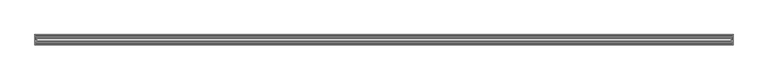
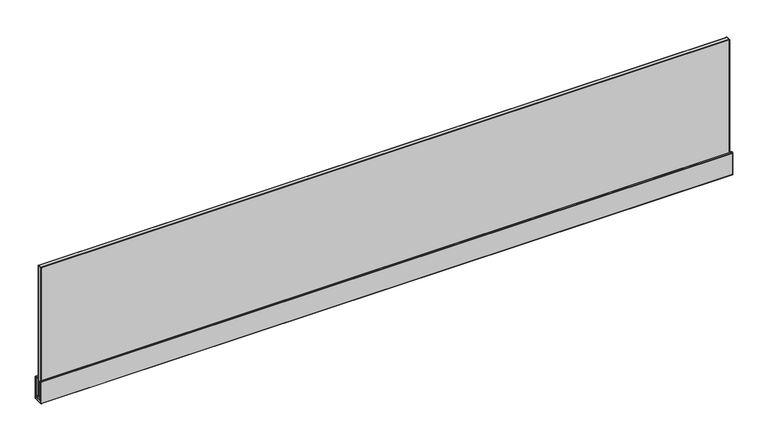
"""IFC4 building model written with IfcOpenShell, lengths in millimetres: furniture geometry."""

from ifc_helpers import new_model, si_unit, origin, place, context, project, spatial, triangles, source, transform, mapped, element, save


def furniture_a9697d2e(model_context):
    return source(origin(), model_context, "Body", "Tessellation", [
        triangles([(0.5079999, -14.9225017, 1119.1999992), (0.5079999, -14.4734886, 1119.0140368), (0.1487897, -14.5786988, 1118.9088106), (0.1487897, -14.9225017, 1119.0511711), (-1e-07, -14.8326986, 1118.654829), (0.1487897, -14.4362918, 1118.5650089), (0.5079999, -14.2875011, 1118.5650089), (1523.4920368, -14.2874932, 1118.5650089), (1523.4920368, -14.4734807, 1119.0140368), (1523.4920368, -14.9224926, 1119.1999992), (0.5079999, -18.097502, 1119.1999992), (0.5079999, -18.546514, 1119.0140368), (0.1487897, -18.4413037, 1118.9088106), (0.1487897, -18.097502, 1119.0511711), (-1e-07, -18.187304, 1118.654829), (0.5079999, -18.7325014, 1118.5650089), (0.1487897, -18.5837119, 1118.5650089), (-1e-07, -14.7955018, 1069.0349653), (0.1487897, -14.4362918, 1069.0349653), (0.5079999, -14.2875011, 1069.0349653), (0.1487897, -14.5786988, 1068.6911636), (0.5079999, -14.4734886, 1068.5860102), (-1e-07, -14.9225017, 1068.9080109), (0.1487897, -14.9225017, 1068.5488031), (0.5079999, -14.9225017, 1068.399975), (0.0, -25.4000008, 1068.9080109), (0.1487898, -25.4000008, 1068.5488031), (0.508, -25.4000008, 1068.399975), (0.5079999, -18.7325014, 1076.0200041), (0.5079999, -19.1044752, 1075.1219484), (0.1487897, -18.9992661, 1075.016795), (0.1487897, -18.5837119, 1076.0200041), (-1e-07, -18.7452652, 1074.7627407), (-1e-07, -18.2245019, 1076.0200041), (0.5079999, -20.0025014, 1074.7500235), (0.1487897, -20.0025014, 1074.6011953), (0.0, -20.0025014, 1074.2419876), (1523.4920368, -19.1044684, 1075.1219484), (1523.4920368, -20.0024923, 1074.7500235), (1523.8511719, -20.0024923, 1074.6011953), (1523.8511719, -18.999257, 1075.016795), (1524.0, -20.0024923, 1074.2419876), (1524.0, -18.7452573, 1074.7627407), (1523.4920368, -18.7324935, 1076.0200041), (1523.8511719, -18.5837028, 1076.0200041), (1524.0, -18.2244928, 1076.0200041), (1523.4920368, -25.4000008, 1074.7500235), (1523.8511719, -25.4000008, 1074.6011953), (1524.0, -25.4000008, 1074.2419876), (1523.4920368, -18.7324935, 1118.5650089), (1523.4920368, -18.546506, 1119.0140368), (1523.8511719, -18.4412958, 1118.9088106), (1523.8511719, -18.5837028, 1118.5650089), (1524.0, -18.187296, 1118.654829), (1523.4920368, -18.097493, 1119.1999992), (1523.8511719, -18.097493, 1119.0511711), (1523.8511719, -14.5786909, 1118.9088106), (1523.8511719, -14.9224926, 1119.0511711), (1524.0, -14.8326907, 1118.654829), (1523.8511719, -14.4362827, 1118.5650089), (1524.0, -14.7954927, 1069.0349653), (1523.8511719, -14.4362827, 1069.0349653), (1523.4920368, -14.2874932, 1069.0349653), (1523.8511719, -14.5786909, 1068.6911636), (1523.4920368, -14.4734807, 1068.5860102), (1524.0, -14.9224926, 1068.9080109), (1523.8511719, -14.9224926, 1068.5488031), (1523.4920368, -14.9224926, 1068.399975), (1524.0, -25.4000008, 1068.9080109), (1523.8511719, -25.4000008, 1068.5488031), (1523.4920368, -25.4000008, 1068.399975), (0.508, -25.4000008, 1074.7500235), (0.1487898, -25.4000008, 1074.6011953), (0.0, -25.4000008, 1074.2419876), (1523.4920368, -30.7974933, 1074.7500235), (0.5080001, -30.7975024, 1074.7500235), (0.5080001, -35.8775021, 1068.399975), (1523.4920368, -35.877493, 1068.399975), (0.5079999, -35.8774976, 1119.1999992), (0.5079999, -36.3265118, 1119.0140368), (0.1487897, -36.2213015, 1118.9088106), (0.1487897, -35.8774976, 1119.0511711), (-1e-07, -35.9673018, 1118.654829), (0.1487897, -36.3637097, 1118.5650089), (0.5079999, -36.5124992, 1118.5650089), (1523.4920368, -36.5125061, 1118.5650089), (1523.4920368, -36.3265209, 1119.0140368), (1523.4920368, -35.8775067, 1119.1999992), (0.5079999, -32.7024983, 1119.1999992), (0.5079999, -32.2534864, 1119.0140368), (0.1487897, -32.3586966, 1118.9088106), (0.1487897, -32.7024983, 1119.0511711), (-1e-07, -32.6126964, 1118.654829), (0.5079999, -32.0674989, 1118.5650089), (0.1487897, -32.2162885, 1118.5650089), (-1e-07, -36.0044975, 1069.0349653), (0.1487897, -36.3637097, 1069.0349653), (0.5079999, -36.5124992, 1069.0349653), (0.1487897, -36.2213015, 1068.6911636), (0.5079999, -36.3265118, 1068.5860102), (-1e-07, -35.8774976, 1068.9080109), (0.1487897, -35.8774976, 1068.5488031), (0.5079999, -32.0674989, 1076.0200041), (0.5079999, -31.695524, 1075.1219484), (0.1487897, -31.8007342, 1075.016795), (0.1487897, -32.2162885, 1076.0200041), (-1e-07, -32.054734, 1074.7627407), (-1e-07, -32.5754985, 1076.0200041), (0.1487897, -30.7974979, 1074.6011953), (0.0, -30.7974979, 1074.2419876), (1523.4920368, -31.6955331, 1075.1219484), (1523.8511719, -30.797507, 1074.6011953), (1523.8511719, -31.8007433, 1075.016795), (1524.0, -30.797507, 1074.2419876), (1524.0, -32.0547431, 1074.7627407), (1523.4920368, -32.067508, 1076.0200041), (1523.8511719, -32.2162975, 1076.0200041), (1524.0, -32.5755075, 1076.0200041), (1523.4920368, -32.067508, 1118.5650089), (1523.4920368, -32.2534932, 1119.0140368), (1523.8511719, -32.3587035, 1118.9088106), (1523.8511719, -32.2162975, 1118.5650089), (1524.0, -32.6127055, 1118.654829), (1523.4920368, -32.7025074, 1119.1999992), (1523.8511719, -32.7025074, 1119.0511711), (1523.8511719, -36.2213106, 1118.9088106), (1523.8511719, -35.8775067, 1119.0511711), (1524.0, -35.9673086, 1118.654829), (1523.8511719, -36.3637165, 1118.5650089), (1524.0, -36.0045065, 1069.0349653), (1523.8511719, -36.3637165, 1069.0349653), (1523.4920368, -36.5125061, 1069.0349653), (1523.8511719, -36.2213106, 1068.6911636), (1523.4920368, -36.3265209, 1068.5860102), (1524.0, -35.8775067, 1068.9080109), (1523.8511719, -35.8775067, 1068.5488031)], [[1, 2, 3], [1, 3, 4], [4, 3, 5], [5, 6, 3], [3, 6, 2], [6, 7, 2], [7, 8, 9], [7, 9, 2], [2, 9, 10], [2, 10, 1], [11, 12, 13], [11, 13, 14], [14, 13, 15], [12, 16, 17], [12, 17, 13], [13, 17, 15], [5, 18, 19], [5, 19, 6], [6, 19, 20], [6, 20, 7], [18, 21, 19], [19, 21, 22], [19, 22, 20], [18, 23, 24], [23, 24, 21], [21, 24, 25], [21, 25, 22], [23, 26, 24], [26, 27, 24], [24, 27, 25], [27, 28, 25], [29, 30, 31], [29, 31, 32], [32, 31, 33], [32, 33, 34], [30, 35, 36], [30, 36, 31], [31, 36, 37], [31, 37, 33], [38, 39, 40], [38, 40, 41], [41, 40, 42], [41, 42, 43], [38, 44, 45], [38, 45, 41], [41, 45, 46], [41, 46, 43], [39, 47, 48], [39, 48, 40], [40, 48, 42], [48, 49, 42], [50, 51, 52], [50, 52, 53], [53, 52, 54], [55, 51, 52], [55, 52, 56], [56, 52, 54], [10, 9, 57], [10, 57, 58], [58, 57, 59], [9, 8, 60], [9, 60, 57], [57, 60, 59], [55, 10, 58], [55, 58, 56], [56, 58, 59], [56, 59, 54], [54, 46, 45], [54, 45, 53], [53, 45, 44], [53, 44, 50], [59, 61, 62], [59, 62, 60], [60, 62, 63], [60, 63, 8], [61, 64, 62], [62, 64, 65], [62, 65, 63], [61, 66, 64], [66, 67, 64], [64, 67, 68], [64, 68, 65], [69, 66, 67], [69, 67, 70], [70, 67, 68], [70, 68, 71], [39, 35, 30], [39, 30, 38], [38, 30, 29], [38, 29, 44], [1, 11, 4], [11, 14, 4], [4, 14, 5], [14, 15, 5], [16, 29, 32], [16, 32, 17], [17, 32, 34], [17, 34, 15], [35, 72, 36], [72, 73, 36], [36, 73, 37], [73, 74, 37], [63, 20, 22], [63, 22, 65], [65, 22, 25], [65, 25, 68], [55, 11, 12], [55, 12, 51], [51, 12, 16], [51, 16, 50], [75, 39, 35], [75, 35, 76], [16, 29, 44], [16, 44, 50], [59, 54, 61], [54, 46, 61], [46, 61, 43], [61, 43, 66], [43, 42, 66], [42, 66, 49], [66, 69, 49], [55, 10, 1], [55, 1, 11], [15, 5, 18], [15, 18, 34], [34, 33, 18], [33, 18, 23], [33, 23, 37], [23, 37, 74], [23, 74, 26], [77, 25, 68], [77, 68, 78], [79, 80, 81], [79, 81, 82], [82, 81, 83], [83, 84, 81], [81, 84, 80], [84, 85, 80], [85, 86, 87], [85, 87, 80], [80, 87, 88], [80, 88, 79], [89, 90, 91], [89, 91, 92], [92, 91, 93], [90, 94, 95], [90, 95, 91], [91, 95, 93], [83, 96, 97], [83, 97, 84], [84, 97, 98], [84, 98, 85], [96, 99, 97], [97, 99, 100], [97, 100, 98], [96, 101, 102], [101, 102, 99], [99, 102, 77], [99, 77, 100], [101, 26, 27], [101, 27, 102], [102, 27, 28], [102, 28, 77], [103, 104, 105], [103, 105, 106], [106, 105, 107], [106, 107, 108], [104, 76, 109], [104, 109, 105], [105, 109, 110], [105, 110, 107], [111, 75, 112], [111, 112, 113], [113, 112, 114], [113, 114, 115], [111, 116, 117], [111, 117, 113], [113, 117, 118], [113, 118, 115], [75, 47, 48], [75, 48, 112], [112, 48, 49], [112, 49, 114], [119, 120, 121], [119, 121, 122], [122, 121, 123], [124, 120, 121], [124, 121, 125], [125, 121, 123], [88, 87, 126], [88, 126, 127], [127, 126, 128], [87, 86, 129], [87, 129, 126], [126, 129, 128], [124, 88, 127], [124, 127, 125], [125, 127, 123], [127, 128, 123], [123, 118, 117], [123, 117, 122], [122, 117, 116], [122, 116, 119], [128, 130, 131], [128, 131, 129], [129, 131, 132], [129, 132, 86], [130, 133, 131], [131, 133, 134], [131, 134, 132], [130, 135, 133], [135, 136, 133], [133, 136, 78], [133, 78, 134], [69, 135, 70], [135, 136, 70], [70, 136, 71], [136, 78, 71], [75, 76, 104], [75, 104, 111], [111, 104, 103], [111, 103, 116], [79, 89, 92], [79, 92, 82], [82, 92, 93], [82, 93, 83], [94, 103, 106], [94, 106, 95], [95, 106, 108], [95, 108, 93], [76, 72, 73], [76, 73, 109], [109, 73, 74], [109, 74, 110], [132, 98, 100], [132, 100, 134], [134, 100, 77], [134, 77, 78], [124, 89, 90], [124, 90, 120], [120, 90, 94], [120, 94, 119], [119, 116, 103], [119, 103, 94], [130, 118, 123], [130, 123, 128], [115, 135, 130], [115, 130, 118], [135, 114, 115], [49, 69, 114], [69, 135, 114], [89, 79, 88], [89, 88, 124], [108, 96, 83], [108, 83, 93], [96, 107, 108], [110, 101, 96], [110, 96, 107], [26, 74, 110], [26, 110, 101], [8, 63, 20], [8, 20, 7], [86, 132, 98], [86, 98, 85]], closed=False),
        triangles([(4.3600187, -29.3792977, 1380.1849411), (4.3600187, -29.8283097, 1379.9990513), (4.0008084, -29.7230994, 1379.8938251), (4.0008084, -29.3792977, 1380.0362583), (3.8520186, -29.4690997, 1379.6397709), (4.0008084, -29.8655076, 1379.5499508), (4.3600187, -30.0142971, 1379.5499508), (1519.6588406, -30.0143062, 1379.5499508), (1519.6588406, -29.8283188, 1379.9990513), (1519.6588406, -29.3793046, 1380.1849411), (4.3600187, -21.1242965, 1380.1849411), (4.3600187, -20.6752846, 1379.9990513), (4.0008084, -20.7804948, 1379.8938251), (4.0008084, -21.1242965, 1380.0362583), (3.8520186, -21.0344946, 1379.6397709), (4.3600187, -20.4892971, 1379.5499508), (4.0008084, -20.6380867, 1379.5499508), (3.8520186, -29.5062976, 1076.0200041), (4.0008084, -29.8655076, 1076.0200041), (4.3600187, -30.0142971, 1076.0200041), (1519.6588406, -20.4893062, 1379.5499508), (1519.6588406, -20.6752914, 1379.9990513), (1520.0179756, -20.7805017, 1379.8938251), (1520.0179756, -20.6380957, 1379.5499508), (1520.1668037, -21.0345037, 1379.6397709), (1519.6588406, -21.1243056, 1380.1849411), (1520.0179756, -21.1243056, 1380.0362583), (1520.0179756, -29.7231085, 1379.8938251), (1520.0179756, -29.3793046, 1380.0362583), (1520.1668037, -29.4691088, 1379.6397709), (1520.0179756, -29.8655167, 1379.5499508), (1520.1668037, -20.9973057, 1076.0200041), (1520.0179756, -20.6380957, 1076.0200041), (1519.6588406, -20.4893062, 1076.0200041), (1520.1668037, -29.5063044, 1076.0200041), (1520.0179756, -29.8655167, 1076.0200041), (1519.6588406, -30.0143062, 1076.0200041), (4.3600187, -20.4892971, 1076.0200041), (4.0008084, -20.6380867, 1076.0200041), (3.8520186, -20.9972967, 1076.0200041), (4.0008084, -29.3792977, 1075.5337692), (4.0008084, -29.7230994, 1075.6762024), (4.3600187, -29.8283097, 1075.5709763), (4.3600187, -29.3792977, 1075.3850138), (3.8520186, -29.3792977, 1075.892977), (1519.6588406, -29.8283188, 1075.5709763), (1519.6588406, -29.3793046, 1075.3850138), (4.0008084, -21.1242965, 1075.5337692), (4.0008084, -20.7804948, 1075.6762024), (4.3600187, -21.1242965, 1075.3850138), (4.3600187, -20.6752846, 1075.5709763), (3.8520186, -21.1242965, 1075.892977), (1520.0179756, -20.7805017, 1075.6762024), (1519.6588406, -20.6752914, 1075.5709763), (1520.0179756, -21.1243056, 1075.5337692), (1519.6588406, -21.1243056, 1075.3850138), (1520.1668037, -21.1243056, 1075.892977), (1520.0179756, -29.3793046, 1075.5337692), (1520.0179756, -29.7231085, 1075.6762024), (1520.1668037, -29.3793046, 1075.892977)], [[1, 2, 3], [1, 3, 4], [4, 3, 5], [5, 6, 3], [3, 6, 2], [6, 7, 2], [7, 8, 9], [7, 9, 2], [2, 9, 10], [2, 10, 1], [11, 12, 13], [11, 13, 14], [14, 13, 15], [12, 16, 17], [12, 17, 13], [13, 17, 15], [5, 18, 19], [5, 19, 6], [6, 19, 20], [6, 20, 7], [21, 22, 23], [21, 23, 24], [24, 23, 25], [26, 22, 23], [26, 23, 27], [27, 23, 25], [10, 9, 28], [10, 28, 29], [29, 28, 30], [9, 8, 31], [9, 31, 28], [28, 31, 30], [26, 10, 29], [26, 29, 27], [27, 29, 25], [29, 30, 25], [25, 32, 33], [25, 33, 24], [24, 33, 34], [24, 34, 21], [30, 35, 36], [30, 36, 31], [31, 36, 37], [31, 37, 8], [1, 11, 14], [1, 14, 4], [4, 14, 15], [4, 15, 5], [16, 38, 39], [16, 39, 17], [17, 39, 40], [17, 40, 15], [26, 11, 12], [26, 12, 22], [22, 12, 16], [22, 16, 21], [21, 34, 38], [21, 38, 16], [35, 32, 30], [32, 25, 30], [11, 1, 10], [11, 10, 26], [40, 18, 5], [40, 5, 15], [8, 37, 20], [8, 20, 7], [41, 42, 43], [41, 43, 44], [45, 42, 41], [42, 19, 18], [42, 18, 45], [43, 20, 19], [43, 19, 42], [43, 46, 37], [43, 37, 20], [44, 47, 46], [44, 46, 43], [48, 49, 50], [49, 51, 50], [52, 40, 48], [40, 49, 48], [49, 39, 38], [49, 38, 51], [40, 39, 49], [33, 53, 54], [33, 54, 34], [32, 53, 33], [55, 53, 56], [53, 54, 56], [57, 53, 55], [58, 59, 47], [59, 46, 47], [60, 35, 58], [35, 59, 58], [59, 36, 46], [36, 37, 46], [35, 36, 59], [55, 58, 56], [58, 47, 56], [57, 60, 55], [60, 58, 55], [41, 48, 50], [41, 50, 44], [45, 52, 48], [45, 48, 41], [54, 51, 50], [54, 50, 56], [34, 38, 51], [34, 51, 54], [60, 57, 32], [60, 32, 35], [56, 47, 44], [56, 44, 50], [52, 45, 18], [52, 18, 40]], closed=False),
    ])


if __name__ == "__main__":
    model = new_model("IFC4")
    model_context = context("Model", 3, world=origin())
    ifc_project = project(units=[si_unit("LENGTHUNIT", "METRE", prefix="MILLI")], contexts=[model_context])
    site = spatial("IfcSite", under=ifc_project)
    building = spatial("IfcBuilding", under=site)
    placement = place(None, origin())
    furniture_shape = furniture_a9697d2e(model_context)
    element("IfcFurniture", 1, at=placement, inside=building, context=model_context, shape_type="MappedRepresentation", body=[
        mapped(furniture_shape, transform((0.0, 0.0, 0.0), x_axis=(1.0, 0.0, 0.0), y_axis=(0.0, 1.0, 0.0), z_axis=(0.0, 0.0, 1.0))),
    ])
    save(model, "model.ifc")
